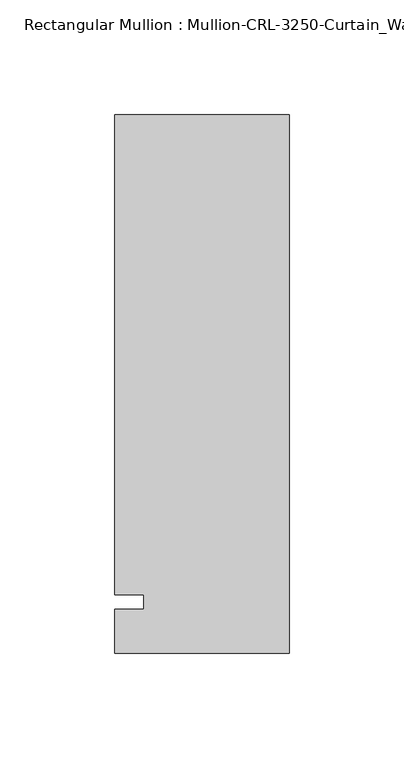
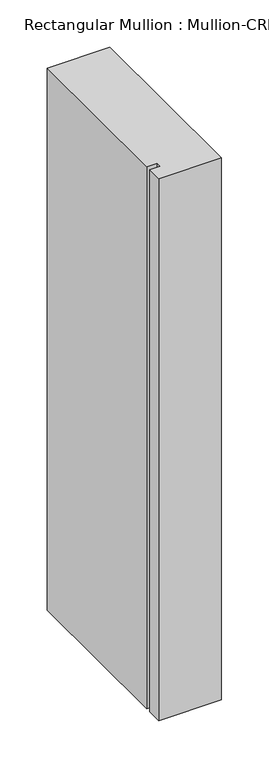
"""IFC4 building model written with IfcOpenShell, lengths in millimetres: member geometry."""

from ifc_helpers import new_model, si_unit, frame, origin, place, context, project, spatial, polyline, outline, extrude, source, transform, mapped, element, save


def member_7e39720a(model_context):
    return source(origin(), model_context, "Body", "SweptSolid", [
        extrude(outline(polyline([(0.0, -22.2254168), (-76.199997, -22.2254168), (-76.199997, -3.175), (-63.499997, -3.175), (-63.499997, 3.175), (-76.199997, 3.175), (-76.199997, 212.7246139), (0.0, 212.7246139), (0.0, -22.2254168)])), frame((0.0, 0.0, -698.3166731), z_axis=(0.0, 0.0, 1.0), x_axis=(1.0, 0.0, 0.0)), (0.0, 0.0, 1.0), 698.3166731),
    ])


if __name__ == "__main__":
    model = new_model("IFC4")
    model_context = context("Model", 3, world=origin())
    ifc_project = project(units=[si_unit("LENGTHUNIT", "METRE", prefix="MILLI")], contexts=[model_context])
    site = spatial("IfcSite", under=ifc_project)
    building = spatial("IfcBuilding", under=site)
    placement = place(None, origin())
    member_shape = member_7e39720a(model_context)
    element("IfcMember", 1, ObjectType="Rectangular Mullion : Mullion-CRL-3250-Curtain_Wall-Head-8\"", at=placement, inside=building, context=model_context, shape_type="MappedRepresentation", body=[
        mapped(member_shape, transform((0.0, 0.0, 0.0), x_axis=(1.0, 0.0, 0.0), y_axis=(0.0, 1.0, 0.0), z_axis=(0.0, 0.0, 1.0))),
    ])
    save(model, "model.ifc")
